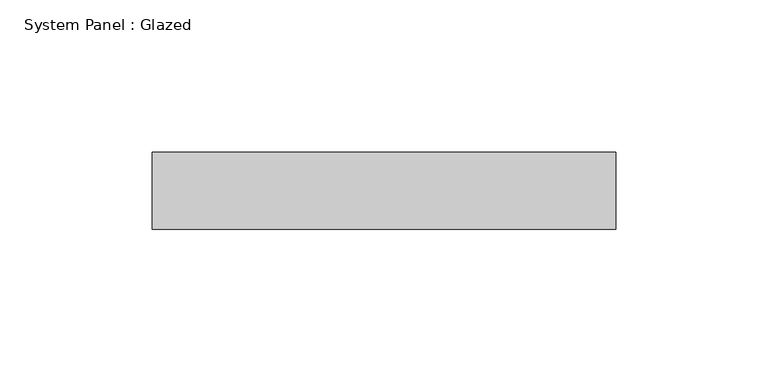
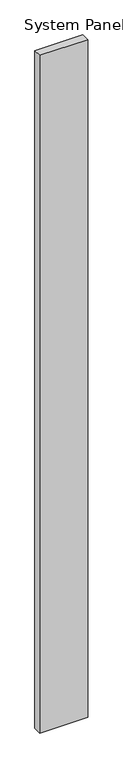
"""IFC4 building model written with IfcOpenShell, lengths in millimetres: plate geometry, System Panel : Glazed."""

from ifc_helpers import new_model, si_unit, origin, origin_with_axes, place, context, project, spatial, polyline, outline, extrude, source, transform, mapped, element, save


def system_panel_glazed_1b1fa93c(model_context):
    return source(origin(), model_context, "Body", "SweptSolid", [
        extrude(outline(polyline([(76.1999998, -44.45), (-76.1999998, -44.45), (-76.1999998, -19.05), (76.1999998, -19.05), (76.1999998, -44.45)])), origin_with_axes(), (0.0, 0.0, 1.0), 2271.6164637),
    ])


if __name__ == "__main__":
    model = new_model("IFC4")
    model_context = context("Model", 3, world=origin())
    ifc_project = project(units=[si_unit("LENGTHUNIT", "METRE", prefix="MILLI")], contexts=[model_context])
    site = spatial("IfcSite", under=ifc_project)
    building = spatial("IfcBuilding", under=site)
    placement = place(None, origin())
    system_panel_glazed_shape = system_panel_glazed_1b1fa93c(model_context)
    element("IfcPlate", 1, ObjectType="System Panel : Glazed", at=placement, inside=building, context=model_context, shape_type="MappedRepresentation", body=[
        mapped(system_panel_glazed_shape, transform((0.0, 0.0, 0.0), x_axis=(1.0, 0.0, 0.0), y_axis=(0.0, 1.0, 0.0), z_axis=(0.0, 0.0, 1.0))),
    ])
    save(model, "model.ifc")
